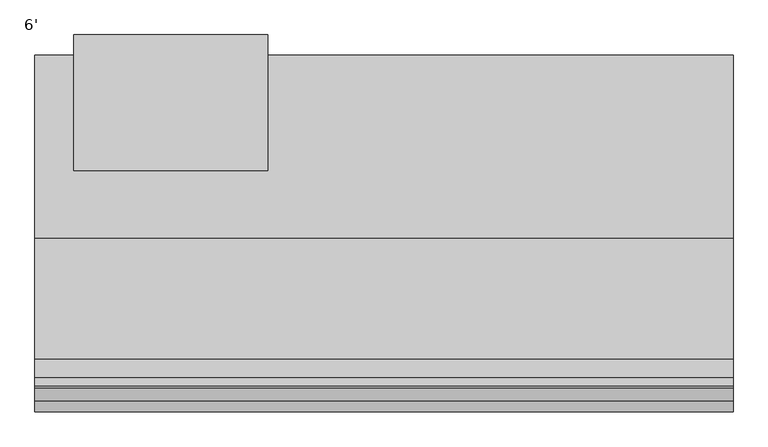
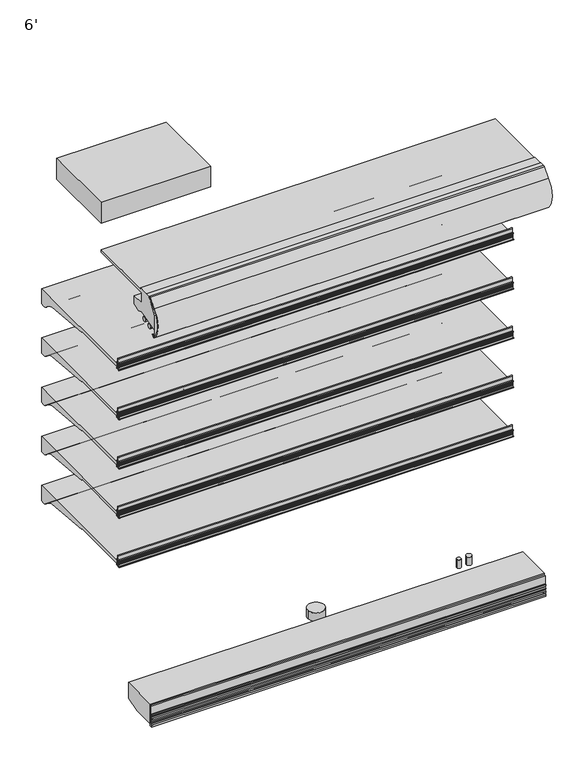
"""IFC4 building model written with IfcOpenShell, lengths in millimetres: proxy geometry, 6'."""

from ifc_helpers import new_model, si_unit, point, frame, frame_2d, origin, place, context, project, spatial, polyline, circle_curve, trimmed, segment, composite_curve, outline, extrude, source, transform, mapped, element, save
from ifc_brep_helpers import plane_surface, cylinder_surface, advanced_brep


def proxy_6_ebcec161(model_context):
    return source(origin(), model_context, "Body", "SolidModel", [
        extrude(outline(composite_curve([segment(polyline([(-1166.6809512, 673.3590118), (-1166.6809512, 627.2869913), (-1172.3025077, 627.2869913), (-1172.3025077, 673.3590118)]), True, "CONTINUOUS"), segment(trimmed(circle_curve(frame_2d((-1169.4917294, 673.3590118)), 2.8107783), [point((-1172.3025077, 673.3590118))], [point((-1166.6809512, 673.3590118))], False, "CARTESIAN"), True, "CONTINUOUS")], self_intersect=False)), frame((0.0, 0.0, 0.0), z_axis=(1.0, 0.0, 0.0), x_axis=(0.0, 1.0, 0.0)), (0.0, 0.0, 1.0), 1828.8),
        extrude(outline(composite_curve([segment(trimmed(circle_curve(frame_2d((-1163.4504929, 651.4868368)), 1.9280539), [point((-1161.7517309, 652.3987576))], [point((-1165.331757, 651.9090184))], True, "CARTESIAN"), True, "CONTINUOUS"), segment(polyline([(-1165.331757, 651.9090184), (-1165.250252, 627.491416)]), True, "CONTINUOUS"), segment(trimmed(circle_curve(frame_2d((-1163.3310491, 627.4978222)), 1.9192136), [point((-1165.250252, 627.491416))], [point((-1161.7034586, 626.4808021))], True, "CARTESIAN"), True, "CONTINUOUS"), segment(polyline([(-1161.7034586, 626.4808021), (-1160.7655732, 628.4261116), (-1159.7610244, 628.067256), (-1160.5780157, 625.7802423)]), True, "CONTINUOUS"), segment(trimmed(circle_curve(frame_2d((-1163.9150962, 626.6263023)), 3.4426623), [point((-1160.5780157, 625.7802423))], [point((-1163.425503, 623.2186312))], False, "CARTESIAN"), True, "CONTINUOUS"), segment(polyline([(-1163.425503, 623.2186312), (-1175.1969589, 621.2859884)]), True, "CONTINUOUS"), segment(trimmed(circle_curve(frame_2d((-1176.0623556, 624.8178953)), 3.6363825), [point((-1175.1969589, 621.2859884))], [point((-1176.8707168, 621.2724997))], False, "CARTESIAN"), True, "CONTINUOUS"), segment(trimmed(circle_curve(frame_2d((-1175.662177, 627.6109197)), 6.4526069), [point((-1176.8707168, 621.2724997))], [point((-1181.8828486, 625.8964572))], False, "CARTESIAN"), True, "CONTINUOUS"), segment(trimmed(circle_curve(frame_2d((-1181.3604941, 626.058445)), 0.5468951), [point((-1181.8828486, 625.8964572))], [point((-1180.9789417, 626.450251))], False, "CARTESIAN"), True, "CONTINUOUS"), segment(polyline([(-1180.9789417, 626.450251), (-1180.476531, 624.9916703)]), True, "CONTINUOUS"), segment(trimmed(circle_curve(frame_2d((-1179.8915211, 625.193178)), 0.6187422), [point((-1180.476531, 624.9916703))], [point((-1179.2817387, 625.0882627))], True, "CARTESIAN"), True, "CONTINUOUS"), segment(trimmed(circle_curve(frame_2d((-1200.8573005, 639.2081773)), 25.7852062), [point((-1179.2817387, 625.0882627))], [point((-1175.8138409, 633.0679827))], True, "CARTESIAN"), True, "CONTINUOUS"), segment(trimmed(circle_curve(frame_2d((-1176.043253, 634.0002362)), 0.9600659), [point((-1175.8138409, 633.0679827))], [point((-1175.3385731, 634.6522736))], True, "CARTESIAN"), True, "CONTINUOUS"), segment(polyline([(-1175.3385731, 634.6522736), (-1174.9159447, 637.4202118)]), True, "CONTINUOUS"), segment(trimmed(circle_curve(frame_2d((-1175.2488063, 638.3116775)), 0.9515818), [point((-1174.9159447, 637.4202118))], [point((-1174.7299165, 639.1093373))], True, "CARTESIAN"), True, "CONTINUOUS"), segment(polyline([(-1174.7299165, 639.1093373), (-1174.6443367, 643.2740469), (-1173.8383813, 646.5265397), (-1174.6268164, 646.72591), (-1174.6268164, 651.4923226), (-1175.4872628, 651.4923226)]), True, "CONTINUOUS"), segment(trimmed(circle_curve(frame_2d((-1183.4029864, 648.5576543)), 8.4422129), [point((-1175.4872628, 651.4923226))], [point((-1177.4034441, 654.4970525))], True, "CARTESIAN"), True, "CONTINUOUS"), segment(trimmed(circle_curve(frame_2d((-1177.9034836, 654.120097)), 0.6262068), [point((-1177.4034441, 654.4970525))], [point((-1178.3956204, 654.507313))], True, "CARTESIAN"), True, "CONTINUOUS"), segment(polyline([(-1178.3956204, 654.507313), (-1178.9699684, 652.9277082)]), True, "CONTINUOUS"), segment(trimmed(circle_curve(frame_2d((-1179.4707304, 653.0647503)), 0.5191754), [point((-1178.9699684, 652.9277082))], [point((-1179.9893103, 653.0896108))], False, "CARTESIAN"), True, "CONTINUOUS"), segment(polyline([(-1179.9893103, 653.0896108), (-1179.6344995, 654.0659516), (-1179.0270967, 655.1476351)]), True, "CONTINUOUS"), segment(trimmed(circle_curve(frame_2d((-1177.9637464, 654.6690909)), 1.1660697), [point((-1179.0270967, 655.1476351))], [point((-1178.012063, 655.8341591))], False, "CARTESIAN"), True, "CONTINUOUS"), segment(polyline([(-1178.012063, 655.8341591), (-1172.4315975, 655.8341591), (-1172.7816684, 639.8794823)]), True, "CONTINUOUS"), segment(trimmed(circle_curve(frame_2d((-1204.7325475, 641.2071084)), 31.9784501), [point((-1172.7816684, 639.8794823))], [point((-1175.8839973, 627.4091948))], False, "CARTESIAN"), True, "CONTINUOUS"), segment(trimmed(circle_curve(frame_2d((-1173.5772773, 626.4881969)), 2.4837863), [point((-1175.8839973, 627.4091948))], [point((-1173.3647043, 624.0135238))], True, "CARTESIAN"), True, "CONTINUOUS"), segment(polyline([(-1173.3647043, 624.0135238), (-1168.8550638, 624.7374041)]), True, "CONTINUOUS"), segment(trimmed(circle_curve(frame_2d((-1169.2651209, 627.3013858)), 2.5965648), [point((-1168.8550638, 624.7374041))], [point((-1166.6809512, 627.0479772))], True, "CARTESIAN"), True, "CONTINUOUS"), segment(polyline([(-1166.6809512, 627.0479772), (-1166.6809512, 655.8555063), (-1163.974361, 655.8555063)]), True, "CONTINUOUS"), segment(trimmed(circle_curve(frame_2d((-1164.2104521, 652.5229101)), 3.3409484), [point((-1163.974361, 655.8555063))], [point((-1161.2402611, 654.0525838))], False, "CARTESIAN"), True, "CONTINUOUS"), segment(polyline([(-1161.2402611, 654.0525838), (-1160.0124559, 650.9106294), (-1161.016829, 650.5181429), (-1161.7517309, 652.3987576)]), True, "CONTINUOUS")], self_intersect=False)), frame((0.0, 0.0, 0.0), z_axis=(1.0, 0.0, 0.0), x_axis=(0.0, 1.0, 0.0)), (0.0, 0.0, 1.0), 1828.8),
        extrude(outline(composite_curve([segment(polyline([(-1166.6809512, 914.6590118), (-1166.6809512, 868.5869913), (-1172.3025077, 868.5869913), (-1172.3025077, 914.6590118)]), True, "CONTINUOUS"), segment(trimmed(circle_curve(frame_2d((-1169.4917294, 914.6590118)), 2.8107783), [point((-1172.3025077, 914.6590118))], [point((-1166.6809512, 914.6590118))], False, "CARTESIAN"), True, "CONTINUOUS")], self_intersect=False)), frame((0.0, 0.0, 0.0), z_axis=(1.0, 0.0, 0.0), x_axis=(0.0, 1.0, 0.0)), (0.0, 0.0, 1.0), 1828.8),
        extrude(outline(composite_curve([segment(trimmed(circle_curve(frame_2d((-1163.4504929, 892.7868368)), 1.9280539), [point((-1161.7517309, 893.6987576))], [point((-1165.331757, 893.2090184))], True, "CARTESIAN"), True, "CONTINUOUS"), segment(polyline([(-1165.331757, 893.2090184), (-1165.250252, 868.791416)]), True, "CONTINUOUS"), segment(trimmed(circle_curve(frame_2d((-1163.3310491, 868.7978222)), 1.9192136), [point((-1165.250252, 868.791416))], [point((-1161.7034586, 867.7808021))], True, "CARTESIAN"), True, "CONTINUOUS"), segment(polyline([(-1161.7034586, 867.7808021), (-1160.7655732, 869.7261116), (-1159.7610244, 869.367256), (-1160.5780157, 867.0802423)]), True, "CONTINUOUS"), segment(trimmed(circle_curve(frame_2d((-1163.9150962, 867.9263023)), 3.4426623), [point((-1160.5780157, 867.0802423))], [point((-1163.425503, 864.5186312))], False, "CARTESIAN"), True, "CONTINUOUS"), segment(polyline([(-1163.425503, 864.5186312), (-1175.1969589, 862.5859884)]), True, "CONTINUOUS"), segment(trimmed(circle_curve(frame_2d((-1176.0623556, 866.1178953)), 3.6363825), [point((-1175.1969589, 862.5859884))], [point((-1176.8707168, 862.5724997))], False, "CARTESIAN"), True, "CONTINUOUS"), segment(trimmed(circle_curve(frame_2d((-1175.662177, 868.9109197)), 6.4526069), [point((-1176.8707168, 862.5724997))], [point((-1181.8828486, 867.1964572))], False, "CARTESIAN"), True, "CONTINUOUS"), segment(trimmed(circle_curve(frame_2d((-1181.3604941, 867.358445)), 0.5468951), [point((-1181.8828486, 867.1964572))], [point((-1180.9789417, 867.750251))], False, "CARTESIAN"), True, "CONTINUOUS"), segment(polyline([(-1180.9789417, 867.750251), (-1180.476531, 866.2916703)]), True, "CONTINUOUS"), segment(trimmed(circle_curve(frame_2d((-1179.8915211, 866.493178)), 0.6187422), [point((-1180.476531, 866.2916703))], [point((-1179.2817387, 866.3882627))], True, "CARTESIAN"), True, "CONTINUOUS"), segment(trimmed(circle_curve(frame_2d((-1200.8573005, 880.5081773)), 25.7852062), [point((-1179.2817387, 866.3882627))], [point((-1175.8138409, 874.3679827))], True, "CARTESIAN"), True, "CONTINUOUS"), segment(trimmed(circle_curve(frame_2d((-1176.043253, 875.3002362)), 0.9600659), [point((-1175.8138409, 874.3679827))], [point((-1175.3385731, 875.9522736))], True, "CARTESIAN"), True, "CONTINUOUS"), segment(polyline([(-1175.3385731, 875.9522736), (-1174.9159447, 878.7202118)]), True, "CONTINUOUS"), segment(trimmed(circle_curve(frame_2d((-1175.2488063, 879.6116775)), 0.9515818), [point((-1174.9159447, 878.7202118))], [point((-1174.7299165, 880.4093373))], True, "CARTESIAN"), True, "CONTINUOUS"), segment(polyline([(-1174.7299165, 880.4093373), (-1174.6443367, 884.5740469), (-1173.8383813, 887.8265397), (-1174.6268164, 888.02591), (-1174.6268164, 892.7923226), (-1175.4872628, 892.7923226)]), True, "CONTINUOUS"), segment(trimmed(circle_curve(frame_2d((-1183.4029864, 889.8576543)), 8.4422129), [point((-1175.4872628, 892.7923226))], [point((-1177.4034441, 895.7970525))], True, "CARTESIAN"), True, "CONTINUOUS"), segment(trimmed(circle_curve(frame_2d((-1177.9034836, 895.420097)), 0.6262068), [point((-1177.4034441, 895.7970525))], [point((-1178.3956204, 895.807313))], True, "CARTESIAN"), True, "CONTINUOUS"), segment(polyline([(-1178.3956204, 895.807313), (-1178.9699684, 894.2277082)]), True, "CONTINUOUS"), segment(trimmed(circle_curve(frame_2d((-1179.4707304, 894.3647503)), 0.5191754), [point((-1178.9699684, 894.2277082))], [point((-1179.9893103, 894.3896108))], False, "CARTESIAN"), True, "CONTINUOUS"), segment(polyline([(-1179.9893103, 894.3896108), (-1179.6344995, 895.3659516), (-1179.0270967, 896.4476351)]), True, "CONTINUOUS"), segment(trimmed(circle_curve(frame_2d((-1177.9637464, 895.9690909)), 1.1660697), [point((-1179.0270967, 896.4476351))], [point((-1178.012063, 897.1341591))], False, "CARTESIAN"), True, "CONTINUOUS"), segment(polyline([(-1178.012063, 897.1341591), (-1172.4315975, 897.1341591), (-1172.7816684, 881.1794823)]), True, "CONTINUOUS"), segment(trimmed(circle_curve(frame_2d((-1204.7325475, 882.5071084)), 31.9784501), [point((-1172.7816684, 881.1794823))], [point((-1175.8839973, 868.7091948))], False, "CARTESIAN"), True, "CONTINUOUS"), segment(trimmed(circle_curve(frame_2d((-1173.5772773, 867.7881969)), 2.4837863), [point((-1175.8839973, 868.7091948))], [point((-1173.3647043, 865.3135238))], True, "CARTESIAN"), True, "CONTINUOUS"), segment(polyline([(-1173.3647043, 865.3135238), (-1168.8550638, 866.0374041)]), True, "CONTINUOUS"), segment(trimmed(circle_curve(frame_2d((-1169.2651209, 868.6013858)), 2.5965648), [point((-1168.8550638, 866.0374041))], [point((-1166.6809512, 868.3479772))], True, "CARTESIAN"), True, "CONTINUOUS"), segment(polyline([(-1166.6809512, 868.3479772), (-1166.6809512, 897.1555063), (-1163.974361, 897.1555063)]), True, "CONTINUOUS"), segment(trimmed(circle_curve(frame_2d((-1164.2104521, 893.8229101)), 3.3409484), [point((-1163.974361, 897.1555063))], [point((-1161.2402611, 895.3525838))], False, "CARTESIAN"), True, "CONTINUOUS"), segment(polyline([(-1161.2402611, 895.3525838), (-1160.0124559, 892.2106294), (-1161.016829, 891.8181429), (-1161.7517309, 893.6987576)]), True, "CONTINUOUS")], self_intersect=False)), frame((0.0, 0.0, 0.0), z_axis=(1.0, 0.0, 0.0), x_axis=(0.0, 1.0, 0.0)), (0.0, 0.0, 1.0), 1828.8),
        extrude(outline(composite_curve([segment(polyline([(-1166.6809512, 1155.9590118), (-1166.6809512, 1109.8869913), (-1172.3025077, 1109.8869913), (-1172.3025077, 1155.9590118)]), True, "CONTINUOUS"), segment(trimmed(circle_curve(frame_2d((-1169.4917294, 1155.9590118)), 2.8107783), [point((-1172.3025077, 1155.9590118))], [point((-1166.6809512, 1155.9590118))], False, "CARTESIAN"), True, "CONTINUOUS")], self_intersect=False)), frame((0.0, 0.0, 0.0), z_axis=(1.0, 0.0, 0.0), x_axis=(0.0, 1.0, 0.0)), (0.0, 0.0, 1.0), 1828.8),
        extrude(outline(composite_curve([segment(trimmed(circle_curve(frame_2d((-1163.4504929, 1134.0868368)), 1.9280539), [point((-1161.7517309, 1134.9987576))], [point((-1165.331757, 1134.5090184))], True, "CARTESIAN"), True, "CONTINUOUS"), segment(polyline([(-1165.331757, 1134.5090184), (-1165.250252, 1110.091416)]), True, "CONTINUOUS"), segment(trimmed(circle_curve(frame_2d((-1163.3310491, 1110.0978222)), 1.9192136), [point((-1165.250252, 1110.091416))], [point((-1161.7034586, 1109.0808021))], True, "CARTESIAN"), True, "CONTINUOUS"), segment(polyline([(-1161.7034586, 1109.0808021), (-1160.7655732, 1111.0261116), (-1159.7610244, 1110.667256), (-1160.5780157, 1108.3802423)]), True, "CONTINUOUS"), segment(trimmed(circle_curve(frame_2d((-1163.9150962, 1109.2263023)), 3.4426623), [point((-1160.5780157, 1108.3802423))], [point((-1163.425503, 1105.8186312))], False, "CARTESIAN"), True, "CONTINUOUS"), segment(polyline([(-1163.425503, 1105.8186312), (-1175.1969589, 1103.8859884)]), True, "CONTINUOUS"), segment(trimmed(circle_curve(frame_2d((-1176.0623556, 1107.4178953)), 3.6363825), [point((-1175.1969589, 1103.8859884))], [point((-1176.8707168, 1103.8724997))], False, "CARTESIAN"), True, "CONTINUOUS"), segment(trimmed(circle_curve(frame_2d((-1175.662177, 1110.2109197)), 6.4526069), [point((-1176.8707168, 1103.8724997))], [point((-1181.8828486, 1108.4964572))], False, "CARTESIAN"), True, "CONTINUOUS"), segment(trimmed(circle_curve(frame_2d((-1181.3604941, 1108.658445)), 0.5468951), [point((-1181.8828486, 1108.4964572))], [point((-1180.9789417, 1109.050251))], False, "CARTESIAN"), True, "CONTINUOUS"), segment(polyline([(-1180.9789417, 1109.050251), (-1180.476531, 1107.5916703)]), True, "CONTINUOUS"), segment(trimmed(circle_curve(frame_2d((-1179.8915211, 1107.793178)), 0.6187422), [point((-1180.476531, 1107.5916703))], [point((-1179.2817387, 1107.6882627))], True, "CARTESIAN"), True, "CONTINUOUS"), segment(trimmed(circle_curve(frame_2d((-1200.8573005, 1121.8081773)), 25.7852062), [point((-1179.2817387, 1107.6882627))], [point((-1175.8138409, 1115.6679827))], True, "CARTESIAN"), True, "CONTINUOUS"), segment(trimmed(circle_curve(frame_2d((-1176.043253, 1116.6002362)), 0.9600659), [point((-1175.8138409, 1115.6679827))], [point((-1175.3385731, 1117.2522736))], True, "CARTESIAN"), True, "CONTINUOUS"), segment(polyline([(-1175.3385731, 1117.2522736), (-1174.9159447, 1120.0202118)]), True, "CONTINUOUS"), segment(trimmed(circle_curve(frame_2d((-1175.2488063, 1120.9116775)), 0.9515818), [point((-1174.9159447, 1120.0202118))], [point((-1174.7299165, 1121.7093373))], True, "CARTESIAN"), True, "CONTINUOUS"), segment(polyline([(-1174.7299165, 1121.7093373), (-1174.6443367, 1125.8740469), (-1173.8383813, 1129.1265397), (-1174.6268164, 1129.32591), (-1174.6268164, 1134.0923226), (-1175.4872628, 1134.0923226)]), True, "CONTINUOUS"), segment(trimmed(circle_curve(frame_2d((-1183.4029864, 1131.1576543)), 8.4422129), [point((-1175.4872628, 1134.0923226))], [point((-1177.4034441, 1137.0970525))], True, "CARTESIAN"), True, "CONTINUOUS"), segment(trimmed(circle_curve(frame_2d((-1177.9034836, 1136.720097)), 0.6262068), [point((-1177.4034441, 1137.0970525))], [point((-1178.3956204, 1137.107313))], True, "CARTESIAN"), True, "CONTINUOUS"), segment(polyline([(-1178.3956204, 1137.107313), (-1178.9699684, 1135.5277082)]), True, "CONTINUOUS"), segment(trimmed(circle_curve(frame_2d((-1179.4707304, 1135.6647503)), 0.5191754), [point((-1178.9699684, 1135.5277082))], [point((-1179.9893103, 1135.6896108))], False, "CARTESIAN"), True, "CONTINUOUS"), segment(polyline([(-1179.9893103, 1135.6896108), (-1179.6344995, 1136.6659516), (-1179.0270967, 1137.7476351)]), True, "CONTINUOUS"), segment(trimmed(circle_curve(frame_2d((-1177.9637464, 1137.2690909)), 1.1660697), [point((-1179.0270967, 1137.7476351))], [point((-1178.012063, 1138.4341591))], False, "CARTESIAN"), True, "CONTINUOUS"), segment(polyline([(-1178.012063, 1138.4341591), (-1172.4315975, 1138.4341591), (-1172.7816684, 1122.4794823)]), True, "CONTINUOUS"), segment(trimmed(circle_curve(frame_2d((-1204.7325475, 1123.8071084)), 31.9784501), [point((-1172.7816684, 1122.4794823))], [point((-1175.8839973, 1110.0091948))], False, "CARTESIAN"), True, "CONTINUOUS"), segment(trimmed(circle_curve(frame_2d((-1173.5772773, 1109.0881969)), 2.4837863), [point((-1175.8839973, 1110.0091948))], [point((-1173.3647043, 1106.6135238))], True, "CARTESIAN"), True, "CONTINUOUS"), segment(polyline([(-1173.3647043, 1106.6135238), (-1168.8550638, 1107.3374041)]), True, "CONTINUOUS"), segment(trimmed(circle_curve(frame_2d((-1169.2651209, 1109.9013858)), 2.5965648), [point((-1168.8550638, 1107.3374041))], [point((-1166.6809512, 1109.6479772))], True, "CARTESIAN"), True, "CONTINUOUS"), segment(polyline([(-1166.6809512, 1109.6479772), (-1166.6809512, 1138.4555063), (-1163.974361, 1138.4555063)]), True, "CONTINUOUS"), segment(trimmed(circle_curve(frame_2d((-1164.2104521, 1135.1229101)), 3.3409484), [point((-1163.974361, 1138.4555063))], [point((-1161.2402611, 1136.6525838))], False, "CARTESIAN"), True, "CONTINUOUS"), segment(polyline([(-1161.2402611, 1136.6525838), (-1160.0124559, 1133.5106294), (-1161.016829, 1133.1181429), (-1161.7517309, 1134.9987576)]), True, "CONTINUOUS")], self_intersect=False)), frame((0.0, 0.0, 0.0), z_axis=(1.0, 0.0, 0.0), x_axis=(0.0, 1.0, 0.0)), (0.0, 0.0, 1.0), 1828.8),
        extrude(outline(composite_curve([segment(polyline([(-1166.6809512, 1397.2590118), (-1166.6809512, 1351.1869913), (-1172.3025077, 1351.1869913), (-1172.3025077, 1397.2590118)]), True, "CONTINUOUS"), segment(trimmed(circle_curve(frame_2d((-1169.4917294, 1397.2590118)), 2.8107783), [point((-1172.3025077, 1397.2590118))], [point((-1166.6809512, 1397.2590118))], False, "CARTESIAN"), True, "CONTINUOUS")], self_intersect=False)), frame((0.0, 0.0, 0.0), z_axis=(1.0, 0.0, 0.0), x_axis=(0.0, 1.0, 0.0)), (0.0, 0.0, 1.0), 1828.8),
        extrude(outline(composite_curve([segment(trimmed(circle_curve(frame_2d((-1163.4504929, 1375.3868368)), 1.9280539), [point((-1161.7517309, 1376.2987576))], [point((-1165.331757, 1375.8090184))], True, "CARTESIAN"), True, "CONTINUOUS"), segment(polyline([(-1165.331757, 1375.8090184), (-1165.250252, 1351.391416)]), True, "CONTINUOUS"), segment(trimmed(circle_curve(frame_2d((-1163.3310491, 1351.3978222)), 1.9192136), [point((-1165.250252, 1351.391416))], [point((-1161.7034586, 1350.3808021))], True, "CARTESIAN"), True, "CONTINUOUS"), segment(polyline([(-1161.7034586, 1350.3808021), (-1160.7655732, 1352.3261116), (-1159.7610244, 1351.967256), (-1160.5780157, 1349.6802423)]), True, "CONTINUOUS"), segment(trimmed(circle_curve(frame_2d((-1163.9150962, 1350.5263023)), 3.4426623), [point((-1160.5780157, 1349.6802423))], [point((-1163.425503, 1347.1186312))], False, "CARTESIAN"), True, "CONTINUOUS"), segment(polyline([(-1163.425503, 1347.1186312), (-1175.1969589, 1345.1859884)]), True, "CONTINUOUS"), segment(trimmed(circle_curve(frame_2d((-1176.0623556, 1348.7178953)), 3.6363825), [point((-1175.1969589, 1345.1859884))], [point((-1176.8707168, 1345.1724997))], False, "CARTESIAN"), True, "CONTINUOUS"), segment(trimmed(circle_curve(frame_2d((-1175.662177, 1351.5109197)), 6.4526069), [point((-1176.8707168, 1345.1724997))], [point((-1181.8828486, 1349.7964572))], False, "CARTESIAN"), True, "CONTINUOUS"), segment(trimmed(circle_curve(frame_2d((-1181.3604941, 1349.958445)), 0.5468951), [point((-1181.8828486, 1349.7964572))], [point((-1180.9789417, 1350.350251))], False, "CARTESIAN"), True, "CONTINUOUS"), segment(polyline([(-1180.9789417, 1350.350251), (-1180.476531, 1348.8916703)]), True, "CONTINUOUS"), segment(trimmed(circle_curve(frame_2d((-1179.8915211, 1349.093178)), 0.6187422), [point((-1180.476531, 1348.8916703))], [point((-1179.2817387, 1348.9882627))], True, "CARTESIAN"), True, "CONTINUOUS"), segment(trimmed(circle_curve(frame_2d((-1200.8573005, 1363.1081773)), 25.7852062), [point((-1179.2817387, 1348.9882627))], [point((-1175.8138409, 1356.9679827))], True, "CARTESIAN"), True, "CONTINUOUS"), segment(trimmed(circle_curve(frame_2d((-1176.043253, 1357.9002362)), 0.9600659), [point((-1175.8138409, 1356.9679827))], [point((-1175.3385731, 1358.5522736))], True, "CARTESIAN"), True, "CONTINUOUS"), segment(polyline([(-1175.3385731, 1358.5522736), (-1174.9159447, 1361.3202118)]), True, "CONTINUOUS"), segment(trimmed(circle_curve(frame_2d((-1175.2488063, 1362.2116775)), 0.9515818), [point((-1174.9159447, 1361.3202118))], [point((-1174.7299165, 1363.0093373))], True, "CARTESIAN"), True, "CONTINUOUS"), segment(polyline([(-1174.7299165, 1363.0093373), (-1174.6443367, 1367.1740469), (-1173.8383813, 1370.4265397), (-1174.6268164, 1370.62591), (-1174.6268164, 1375.3923226), (-1175.4872628, 1375.3923226)]), True, "CONTINUOUS"), segment(trimmed(circle_curve(frame_2d((-1183.4029864, 1372.4576543)), 8.4422129), [point((-1175.4872628, 1375.3923226))], [point((-1177.4034441, 1378.3970525))], True, "CARTESIAN"), True, "CONTINUOUS"), segment(trimmed(circle_curve(frame_2d((-1177.9034836, 1378.020097)), 0.6262068), [point((-1177.4034441, 1378.3970525))], [point((-1178.3956204, 1378.407313))], True, "CARTESIAN"), True, "CONTINUOUS"), segment(polyline([(-1178.3956204, 1378.407313), (-1178.9699684, 1376.8277082)]), True, "CONTINUOUS"), segment(trimmed(circle_curve(frame_2d((-1179.4707304, 1376.9647503)), 0.5191754), [point((-1178.9699684, 1376.8277082))], [point((-1179.9893103, 1376.9896108))], False, "CARTESIAN"), True, "CONTINUOUS"), segment(polyline([(-1179.9893103, 1376.9896108), (-1179.6344995, 1377.9659516), (-1179.0270967, 1379.0476351)]), True, "CONTINUOUS"), segment(trimmed(circle_curve(frame_2d((-1177.9637464, 1378.5690909)), 1.1660697), [point((-1179.0270967, 1379.0476351))], [point((-1178.012063, 1379.7341591))], False, "CARTESIAN"), True, "CONTINUOUS"), segment(polyline([(-1178.012063, 1379.7341591), (-1172.4315975, 1379.7341591), (-1172.7816684, 1363.7794823)]), True, "CONTINUOUS"), segment(trimmed(circle_curve(frame_2d((-1204.7325475, 1365.1071084)), 31.9784501), [point((-1172.7816684, 1363.7794823))], [point((-1175.8839973, 1351.3091948))], False, "CARTESIAN"), True, "CONTINUOUS"), segment(trimmed(circle_curve(frame_2d((-1173.5772773, 1350.3881969)), 2.4837863), [point((-1175.8839973, 1351.3091948))], [point((-1173.3647043, 1347.9135238))], True, "CARTESIAN"), True, "CONTINUOUS"), segment(polyline([(-1173.3647043, 1347.9135238), (-1168.8550638, 1348.6374041)]), True, "CONTINUOUS"), segment(trimmed(circle_curve(frame_2d((-1169.2651209, 1351.2013858)), 2.5965648), [point((-1168.8550638, 1348.6374041))], [point((-1166.6809512, 1350.9479772))], True, "CARTESIAN"), True, "CONTINUOUS"), segment(polyline([(-1166.6809512, 1350.9479772), (-1166.6809512, 1379.7555063), (-1163.974361, 1379.7555063)]), True, "CONTINUOUS"), segment(trimmed(circle_curve(frame_2d((-1164.2104521, 1376.4229101)), 3.3409484), [point((-1163.974361, 1379.7555063))], [point((-1161.2402611, 1377.9525838))], False, "CARTESIAN"), True, "CONTINUOUS"), segment(polyline([(-1161.2402611, 1377.9525838), (-1160.0124559, 1374.8106294), (-1161.016829, 1374.4181429), (-1161.7517309, 1376.2987576)]), True, "CONTINUOUS")], self_intersect=False)), frame((0.0, 0.0, 0.0), z_axis=(1.0, 0.0, 0.0), x_axis=(0.0, 1.0, 0.0)), (0.0, 0.0, 1.0), 1828.8),
        extrude(outline(composite_curve([segment(polyline([(-1401.9895748, 2098.675), (-1422.2402351, 2098.675)]), True, "CONTINUOUS"), segment(trimmed(circle_curve(frame_2d((-1422.2402351, 2094.2009254)), 4.4740745), [point((-1422.2402351, 2098.675))], [point((-1425.458615, 2097.3088788))], True, "CARTESIAN"), True, "CONTINUOUS"), segment(polyline([(-1425.458615, 2097.3088788), (-1460.7854536, 2060.7268666)]), True, "CONTINUOUS"), segment(trimmed(circle_curve(frame_2d((-1388.5044641, 1990.9259263)), 100.4824), [point((-1460.7854536, 2060.7268666))], [point((-1469.2767016, 2050.6968084))], True, "CARTESIAN"), True, "CONTINUOUS"), segment(trimmed(circle_curve(frame_2d((-1388.5044641, 1990.9259263)), 100.4824), [point((-1469.2767016, 2050.6968084))], [point((-1461.9926392, 1922.3970943))], True, "CARTESIAN"), True, "CONTINUOUS"), segment(trimmed(circle_curve(frame_2d((-1458.1659041, 1925.9655825)), 5.2324), [point((-1461.9926392, 1922.3970943))], [point((-1454.4660386, 1922.265717))], True, "CARTESIAN"), True, "CONTINUOUS"), segment(polyline([(-1454.4660386, 1922.265717), (-1447.8924911, 1928.8392645), (-1446.4556502, 1927.4024235), (-1453.0291976, 1920.828876)]), True, "CONTINUOUS"), segment(trimmed(circle_curve(frame_2d((-1458.1659041, 1925.9655825)), 7.2644), [point((-1453.0291976, 1920.828876))], [point((-1463.47875, 1921.0112736))], False, "CARTESIAN"), True, "CONTINUOUS"), segment(trimmed(circle_curve(frame_2d((-1388.5044641, 1990.9259263)), 102.5144), [point((-1463.47875, 1921.0112736))], [point((-1462.2471521, 2062.1384124))], False, "CARTESIAN"), True, "CONTINUOUS"), segment(polyline([(-1462.2471521, 2062.1384124), (-1427.6113468, 2098.0048387)]), True, "CONTINUOUS"), segment(trimmed(circle_curve(frame_2d((-1422.3857748, 2092.9585624)), 7.2644), [point((-1427.6113468, 2098.0048387))], [point((-1422.3857748, 2100.2229624))], False, "CARTESIAN"), True, "CONTINUOUS"), segment(polyline([(-1422.3857748, 2100.2229624), (-1401.9895748, 2100.2229624), (-1401.9895748, 2098.675)]), True, "CONTINUOUS")], self_intersect=False)), frame((0.0, 0.0, 0.0), z_axis=(1.0, 0.0, 0.0), x_axis=(0.0, 1.0, 0.0)), (0.0, 0.0, 1.0), 1828.8),
        extrude(outline(composite_curve([segment(trimmed(circle_curve(frame_2d((-1382.6450033, 1963.4468051)), 11.1125), [point((-1393.7574982, 1963.4361068))], [point((-1371.5325085, 1963.4575034))], False, "CARTESIAN"), True, "CONTINUOUS"), segment(trimmed(circle_curve(frame_2d((-1382.6450033, 1963.4468051)), 11.1125), [point((-1371.5325085, 1963.4575034))], [point((-1393.7574982, 1963.4361068))], False, "CARTESIAN"), True, "CONTINUOUS")], self_intersect=False)), frame((0.0, 0.0, 0.0), z_axis=(1.0, 0.0, 0.0), x_axis=(0.0, 1.0, 0.0)), (0.0, 0.0, 1.0), 1828.8),
        extrude(outline(composite_curve([segment(trimmed(circle_curve(frame_2d((-1422.7955513, 1952.5918872)), 11.1125), [point((-1433.9080461, 1952.5811889))], [point((-1411.6830564, 1952.6025854))], False, "CARTESIAN"), True, "CONTINUOUS"), segment(trimmed(circle_curve(frame_2d((-1422.7955513, 1952.5918872)), 11.1125), [point((-1411.6830564, 1952.6025854))], [point((-1433.9080461, 1952.5811889))], False, "CARTESIAN"), True, "CONTINUOUS")], self_intersect=False)), frame((0.0, 0.0, 0.0), z_axis=(1.0, 0.0, 0.0), x_axis=(0.0, 1.0, 0.0)), (0.0, 0.0, 1.0), 1828.8),
        extrude(outline(composite_curve([segment(polyline([(-1421.4795117, 2098.675), (-1353.1925343, 2098.675), (-1353.1925343, 2094.407711), (-1036.8679254, 2094.407711), (-1036.8679254, 2079.9361513), (-1361.2177409, 2079.9361513), (-1361.2177409, 2029.1361513), (-1300.8277259, 2029.1361513), (-1300.8277259, 1989.1126887), (-1337.1349866, 1975.8979266), (-1362.075082, 1987.5276841), (-1465.8717206, 1959.7154586), (-1465.8717206, 1929.2913231)]), True, "CONTINUOUS"), segment(trimmed(circle_curve(frame_2d((-1464.2842206, 1929.2913231)), 1.5875), [point((-1465.8717206, 1929.2913231))], [point((-1464.8010601, 1927.7903123))], True, "CARTESIAN"), True, "CONTINUOUS"), segment(polyline([(-1464.8010601, 1927.7903123), (-1454.6095723, 1924.2811017)]), True, "CONTINUOUS"), segment(trimmed(circle_curve(frame_2d((-1454.0927328, 1925.7821124)), 1.5875), [point((-1454.6095723, 1924.2811017))], [point((-1452.9702008, 1924.6595804))], True, "CARTESIAN"), True, "CONTINUOUS"), segment(polyline([(-1452.9702008, 1924.6595804), (-1449.6242529, 1928.0055284)]), True, "CONTINUOUS"), segment(trimmed(circle_curve(frame_2d((-1449.3997464, 1927.781022)), 0.3175), [point((-1449.6242529, 1928.0055284))], [point((-1449.17524, 1927.5565156))], False, "CARTESIAN"), True, "CONTINUOUS"), segment(polyline([(-1449.17524, 1927.5565156), (-1452.521188, 1924.2105676)]), True, "CONTINUOUS"), segment(trimmed(circle_curve(frame_2d((-1454.0927328, 1925.7821124)), 2.2225), [point((-1452.521188, 1924.2105676))], [point((-1454.8163081, 1923.6806974))], False, "CARTESIAN"), True, "CONTINUOUS"), segment(polyline([(-1454.8163081, 1923.6806974), (-1465.0077959, 1927.189908)]), True, "CONTINUOUS"), segment(trimmed(circle_curve(frame_2d((-1464.2842206, 1929.2913231)), 2.2225), [point((-1465.0077959, 1927.189908))], [point((-1466.5067206, 1929.2913231))], False, "CARTESIAN"), True, "CONTINUOUS"), segment(polyline([(-1466.5067206, 1929.2913231), (-1466.5067206, 2031.5920746), (-1432.9095117, 2079.5738616), (-1432.9095117, 2083.5097624), (-1421.4795117, 2094.6095624), (-1421.4795117, 2098.675)]), True, "CONTINUOUS")], self_intersect=False)), frame((0.0, 0.0, 0.0), z_axis=(1.0, 0.0, 0.0), x_axis=(0.0, 1.0, 0.0)), (0.0, 0.0, 1.0), 1828.8),
        extrude(outline(polyline([(609.6, -502.5186137), (609.6, -858.1186137), (101.6, -858.1186137), (101.6, -502.5186137), (609.6, -502.5186137)])), frame((0.0, 0.0, 2079.9361513), z_axis=(0.0, 0.0, 1.0), x_axis=(1.0, 0.0, 0.0)), (0.0, 0.0, 1.0), 102.0572),
        extrude(outline(composite_curve([segment(polyline([(-1430.4508502, 0.0), (-1442.1812873, 0.0), (-1442.1812873, 8.4852001)]), True, "CONTINUOUS"), segment(trimmed(circle_curve(frame_2d((-1443.1437506, 15.2920025)), 6.8745105), [point((-1442.1812873, 8.4852001))], [point((-1436.5835392, 13.2371249))], True, "CARTESIAN"), True, "CONTINUOUS"), segment(polyline([(-1436.5835392, 13.2371249), (-1434.9883529, 18.9518946), (-1440.3853294, 17.8570836), (-1441.3969712, 17.8570836), (-1441.3969712, 24.300662)]), True, "CONTINUOUS"), segment(trimmed(circle_curve(frame_2d((-1443.6384576, 31.1512245)), 7.2079448), [point((-1441.3969712, 24.300662))], [point((-1436.7586105, 29.001301))], True, "CARTESIAN"), True, "CONTINUOUS"), segment(polyline([(-1436.7586105, 29.001301), (-1434.9883529, 34.6662009), (-1440.3853294, 33.5713898), (-1441.3969712, 33.5713898), (-1441.3969712, 40.0149682)]), True, "CONTINUOUS"), segment(trimmed(circle_curve(frame_2d((-1443.6751786, 46.9017652)), 7.2538404), [point((-1441.3969712, 40.0149682))], [point((-1436.7586105, 44.7156073))], True, "CARTESIAN"), True, "CONTINUOUS"), segment(polyline([(-1436.7586105, 44.7156073), (-1434.9883529, 50.3163494), (-1440.3853294, 49.2857909), (-1441.3969712, 49.2857909), (-1441.3969712, 55.7293693)]), True, "CONTINUOUS"), segment(trimmed(circle_curve(frame_2d((-1441.0936844, 61.292491)), 5.5713828), [point((-1441.3969712, 55.7293693))], [point((-1437.1434491, 57.3636302))], True, "CARTESIAN"), True, "CONTINUOUS"), segment(polyline([(-1437.1434491, 57.3636302), (-1437.1434491, 59.2060524), (-1437.1434491, 98.81235), (-1430.4508502, 98.81235), (-1430.4508502, 0.0)]), True, "CONTINUOUS")], self_intersect=False)), frame((0.0, 0.0, 0.0), z_axis=(1.0, 0.0, 0.0), x_axis=(0.0, 1.0, 0.0)), (0.0, 0.0, 1.0), 1828.8),
        extrude(outline(composite_curve([segment(polyline([(-1166.6809512, 1638.5590118), (-1166.6809512, 1592.4869913), (-1172.3025077, 1592.4869913), (-1172.3025077, 1638.5590118)]), True, "CONTINUOUS"), segment(trimmed(circle_curve(frame_2d((-1169.4917294, 1638.5590118)), 2.8107783), [point((-1172.3025077, 1638.5590118))], [point((-1166.6809512, 1638.5590118))], False, "CARTESIAN"), True, "CONTINUOUS")], self_intersect=False)), frame((0.0, 0.0, 0.0), z_axis=(1.0, 0.0, 0.0), x_axis=(0.0, 1.0, 0.0)), (0.0, 0.0, 1.0), 1828.8),
        extrude(outline(composite_curve([segment(trimmed(circle_curve(frame_2d((-1163.4504929, 1616.6868368)), 1.9280539), [point((-1161.7517309, 1617.5987576))], [point((-1165.331757, 1617.1090184))], True, "CARTESIAN"), True, "CONTINUOUS"), segment(polyline([(-1165.331757, 1617.1090184), (-1165.250252, 1592.691416)]), True, "CONTINUOUS"), segment(trimmed(circle_curve(frame_2d((-1163.3310491, 1592.6978222)), 1.9192136), [point((-1165.250252, 1592.691416))], [point((-1161.7034586, 1591.6808021))], True, "CARTESIAN"), True, "CONTINUOUS"), segment(polyline([(-1161.7034586, 1591.6808021), (-1160.7655732, 1593.6261116), (-1159.7610244, 1593.267256), (-1160.5780157, 1590.9802423)]), True, "CONTINUOUS"), segment(trimmed(circle_curve(frame_2d((-1163.9150962, 1591.8263023)), 3.4426623), [point((-1160.5780157, 1590.9802423))], [point((-1163.425503, 1588.4186312))], False, "CARTESIAN"), True, "CONTINUOUS"), segment(polyline([(-1163.425503, 1588.4186312), (-1175.1969589, 1586.4859884)]), True, "CONTINUOUS"), segment(trimmed(circle_curve(frame_2d((-1176.0623556, 1590.0178953)), 3.6363825), [point((-1175.1969589, 1586.4859884))], [point((-1176.8707168, 1586.4724997))], False, "CARTESIAN"), True, "CONTINUOUS"), segment(trimmed(circle_curve(frame_2d((-1175.662177, 1592.8109197)), 6.4526069), [point((-1176.8707168, 1586.4724997))], [point((-1181.8828486, 1591.0964572))], False, "CARTESIAN"), True, "CONTINUOUS"), segment(trimmed(circle_curve(frame_2d((-1181.3604941, 1591.258445)), 0.5468951), [point((-1181.8828486, 1591.0964572))], [point((-1180.9789417, 1591.650251))], False, "CARTESIAN"), True, "CONTINUOUS"), segment(polyline([(-1180.9789417, 1591.650251), (-1180.476531, 1590.1916703)]), True, "CONTINUOUS"), segment(trimmed(circle_curve(frame_2d((-1179.8915211, 1590.393178)), 0.6187422), [point((-1180.476531, 1590.1916703))], [point((-1179.2817387, 1590.2882627))], True, "CARTESIAN"), True, "CONTINUOUS"), segment(trimmed(circle_curve(frame_2d((-1200.8573005, 1604.4081773)), 25.7852062), [point((-1179.2817387, 1590.2882627))], [point((-1175.8138409, 1598.2679827))], True, "CARTESIAN"), True, "CONTINUOUS"), segment(trimmed(circle_curve(frame_2d((-1176.043253, 1599.2002362)), 0.9600659), [point((-1175.8138409, 1598.2679827))], [point((-1175.3385731, 1599.8522736))], True, "CARTESIAN"), True, "CONTINUOUS"), segment(polyline([(-1175.3385731, 1599.8522736), (-1174.9159447, 1602.6202118)]), True, "CONTINUOUS"), segment(trimmed(circle_curve(frame_2d((-1175.2488063, 1603.5116775)), 0.9515818), [point((-1174.9159447, 1602.6202118))], [point((-1174.7299165, 1604.3093373))], True, "CARTESIAN"), True, "CONTINUOUS"), segment(polyline([(-1174.7299165, 1604.3093373), (-1174.6443367, 1608.4740469), (-1173.8383813, 1611.7265397), (-1174.6268164, 1611.92591), (-1174.6268164, 1616.6923226), (-1175.4872628, 1616.6923226)]), True, "CONTINUOUS"), segment(trimmed(circle_curve(frame_2d((-1183.4029864, 1613.7576543)), 8.4422129), [point((-1175.4872628, 1616.6923226))], [point((-1177.4034441, 1619.6970525))], True, "CARTESIAN"), True, "CONTINUOUS"), segment(trimmed(circle_curve(frame_2d((-1177.9034836, 1619.320097)), 0.6262068), [point((-1177.4034441, 1619.6970525))], [point((-1178.3956204, 1619.707313))], True, "CARTESIAN"), True, "CONTINUOUS"), segment(polyline([(-1178.3956204, 1619.707313), (-1178.9699684, 1618.1277082)]), True, "CONTINUOUS"), segment(trimmed(circle_curve(frame_2d((-1179.4707304, 1618.2647503)), 0.5191754), [point((-1178.9699684, 1618.1277082))], [point((-1179.9893103, 1618.2896108))], False, "CARTESIAN"), True, "CONTINUOUS"), segment(polyline([(-1179.9893103, 1618.2896108), (-1179.6344995, 1619.2659516), (-1179.0270967, 1620.3476351)]), True, "CONTINUOUS"), segment(trimmed(circle_curve(frame_2d((-1177.9637464, 1619.8690909)), 1.1660697), [point((-1179.0270967, 1620.3476351))], [point((-1178.012063, 1621.0341591))], False, "CARTESIAN"), True, "CONTINUOUS"), segment(polyline([(-1178.012063, 1621.0341591), (-1172.4315975, 1621.0341591), (-1172.7816684, 1605.0794823)]), True, "CONTINUOUS"), segment(trimmed(circle_curve(frame_2d((-1204.7325475, 1606.4071084)), 31.9784501), [point((-1172.7816684, 1605.0794823))], [point((-1175.8839973, 1592.6091948))], False, "CARTESIAN"), True, "CONTINUOUS"), segment(trimmed(circle_curve(frame_2d((-1173.5772773, 1591.6881969)), 2.4837863), [point((-1175.8839973, 1592.6091948))], [point((-1173.3647043, 1589.2135238))], True, "CARTESIAN"), True, "CONTINUOUS"), segment(polyline([(-1173.3647043, 1589.2135238), (-1168.8550638, 1589.9374041)]), True, "CONTINUOUS"), segment(trimmed(circle_curve(frame_2d((-1169.2651209, 1592.5013858)), 2.5965648), [point((-1168.8550638, 1589.9374041))], [point((-1166.6809512, 1592.2479772))], True, "CARTESIAN"), True, "CONTINUOUS"), segment(polyline([(-1166.6809512, 1592.2479772), (-1166.6809512, 1621.0555063), (-1163.974361, 1621.0555063)]), True, "CONTINUOUS"), segment(trimmed(circle_curve(frame_2d((-1164.2104521, 1617.7229101)), 3.3409484), [point((-1163.974361, 1621.0555063))], [point((-1161.2402611, 1619.2525838))], False, "CARTESIAN"), True, "CONTINUOUS"), segment(polyline([(-1161.2402611, 1619.2525838), (-1160.0124559, 1616.1106294), (-1161.016829, 1615.7181429), (-1161.7517309, 1617.5987576)]), True, "CONTINUOUS")], self_intersect=False)), frame((0.0, 0.0, 0.0), z_axis=(1.0, 0.0, 0.0), x_axis=(0.0, 1.0, 0.0)), (0.0, 0.0, 1.0), 1828.8),
        extrude(outline(composite_curve([segment(polyline([(-555.6910045, 571.547791), (-574.0670246, 571.2353274)]), True, "CONTINUOUS"), segment(trimmed(circle_curve(frame_2d((-574.4988606, 596.6316562)), 25.4), [point((-574.0670246, 571.2353274))], [point((-590.4762169, 576.8861735))], False, "CARTESIAN"), True, "CONTINUOUS"), segment(polyline([(-590.4762169, 576.8861735), (-608.328278, 591.331439)]), True, "CONTINUOUS"), segment(trimmed(circle_curve(frame_2d((-648.2716687, 541.9677323)), 63.5), [point((-608.328278, 591.331439))], [point((-640.3737874, 604.9746642))], True, "CARTESIAN"), True, "CONTINUOUS"), segment(polyline([(-640.3737874, 604.9746642), (-880.2379219, 628.6718016), (-881.7266984, 632.1123537), (-1165.2910045, 632.1123537), (-1165.2910045, 646.3363537), (-555.6910045, 646.3363537), (-555.6910045, 571.547791)]), True, "CONTINUOUS")], self_intersect=False)), frame((0.0, 0.0, 0.0), z_axis=(1.0, 0.0, 0.0), x_axis=(0.0, 1.0, 0.0)), (0.0, 0.0, 1.0), 1828.8),
        extrude(outline(composite_curve([segment(polyline([(-555.6910045, 812.847791), (-574.0670246, 812.5353274)]), True, "CONTINUOUS"), segment(trimmed(circle_curve(frame_2d((-574.4988606, 837.9316562)), 25.4), [point((-574.0670246, 812.5353274))], [point((-590.4762169, 818.1861735))], False, "CARTESIAN"), True, "CONTINUOUS"), segment(polyline([(-590.4762169, 818.1861735), (-608.328278, 832.631439)]), True, "CONTINUOUS"), segment(trimmed(circle_curve(frame_2d((-648.2716687, 783.2677323)), 63.5), [point((-608.328278, 832.631439))], [point((-640.3737874, 846.2746642))], True, "CARTESIAN"), True, "CONTINUOUS"), segment(polyline([(-640.3737874, 846.2746642), (-880.2379219, 869.9718016), (-881.7266984, 873.4123537), (-1165.2910045, 873.4123537), (-1165.2910045, 887.6363537), (-555.6910045, 887.6363537), (-555.6910045, 812.847791)]), True, "CONTINUOUS")], self_intersect=False)), frame((0.0, 0.0, 0.0), z_axis=(1.0, 0.0, 0.0), x_axis=(0.0, 1.0, 0.0)), (0.0, 0.0, 1.0), 1828.8),
        extrude(outline(composite_curve([segment(polyline([(-555.6910045, 1054.147791), (-574.0670246, 1053.8353274)]), True, "CONTINUOUS"), segment(trimmed(circle_curve(frame_2d((-574.4988606, 1079.2316562)), 25.4), [point((-574.0670246, 1053.8353274))], [point((-590.4762169, 1059.4861735))], False, "CARTESIAN"), True, "CONTINUOUS"), segment(polyline([(-590.4762169, 1059.4861735), (-608.328278, 1073.931439)]), True, "CONTINUOUS"), segment(trimmed(circle_curve(frame_2d((-648.2716687, 1024.5677323)), 63.5), [point((-608.328278, 1073.931439))], [point((-640.3737874, 1087.5746642))], True, "CARTESIAN"), True, "CONTINUOUS"), segment(polyline([(-640.3737874, 1087.5746642), (-880.2379219, 1111.2718016), (-881.7266984, 1114.7123537), (-1165.2910045, 1114.7123537), (-1165.2910045, 1128.9363537), (-555.6910045, 1128.9363537), (-555.6910045, 1054.147791)]), True, "CONTINUOUS")], self_intersect=False)), frame((0.0, 0.0, 0.0), z_axis=(1.0, 0.0, 0.0), x_axis=(0.0, 1.0, 0.0)), (0.0, 0.0, 1.0), 1828.8),
        extrude(outline(composite_curve([segment(polyline([(-555.6910045, 1295.447791), (-574.0670246, 1295.1353274)]), True, "CONTINUOUS"), segment(trimmed(circle_curve(frame_2d((-574.4988606, 1320.5316562)), 25.4), [point((-574.0670246, 1295.1353274))], [point((-590.4762169, 1300.7861735))], False, "CARTESIAN"), True, "CONTINUOUS"), segment(polyline([(-590.4762169, 1300.7861735), (-608.328278, 1315.231439)]), True, "CONTINUOUS"), segment(trimmed(circle_curve(frame_2d((-648.2716687, 1265.8677323)), 63.5), [point((-608.328278, 1315.231439))], [point((-640.3737874, 1328.8746642))], True, "CARTESIAN"), True, "CONTINUOUS"), segment(polyline([(-640.3737874, 1328.8746642), (-880.2379219, 1352.5718016), (-881.7266984, 1356.0123537), (-1165.2910045, 1356.0123537), (-1165.2910045, 1370.2363537), (-555.6910045, 1370.2363537), (-555.6910045, 1295.447791)]), True, "CONTINUOUS")], self_intersect=False)), frame((0.0, 0.0, 0.0), z_axis=(1.0, 0.0, 0.0), x_axis=(0.0, 1.0, 0.0)), (0.0, 0.0, 1.0), 1828.8),
        extrude(outline(composite_curve([segment(polyline([(-555.6910045, 1536.747791), (-574.0670246, 1536.4353274)]), True, "CONTINUOUS"), segment(trimmed(circle_curve(frame_2d((-574.4988606, 1561.8316562)), 25.4), [point((-574.0670246, 1536.4353274))], [point((-590.4762169, 1542.0861735))], False, "CARTESIAN"), True, "CONTINUOUS"), segment(polyline([(-590.4762169, 1542.0861735), (-608.328278, 1556.531439)]), True, "CONTINUOUS"), segment(trimmed(circle_curve(frame_2d((-648.2716687, 1507.1677323)), 63.5), [point((-608.328278, 1556.531439))], [point((-640.3737874, 1570.1746642))], True, "CARTESIAN"), True, "CONTINUOUS"), segment(polyline([(-640.3737874, 1570.1746642), (-880.2379219, 1593.8718016), (-881.7266984, 1597.3123537), (-1165.2910045, 1597.3123537), (-1165.2910045, 1611.5363537), (-555.6910045, 1611.5363537), (-555.6910045, 1536.747791)]), True, "CONTINUOUS")], self_intersect=False)), frame((0.0, 0.0, 0.0), z_axis=(1.0, 0.0, 0.0), x_axis=(0.0, 1.0, 0.0)), (0.0, 0.0, 1.0), 1828.8),
        extrude(outline(polyline([(638.175, -1315.9089273), (638.175, -1417.5089273), (127.0, -1417.5089273), (127.0, -1315.9089273), (638.175, -1315.9089273)])), frame((0.0, 0.0, 63.88735), z_axis=(0.0, 0.0, 1.0), x_axis=(1.0, 0.0, 0.0)), (0.0, 0.0, 1.0), 6.35),
        advanced_brep(
        [(1828.8, -1429.7142502, 105.16235), (1828.8, -1429.7142502, 12.46632), (1828.8, -1425.7518502, 8.50392), (1828.8, -1323.5320893, 8.50392), (1828.8, -1254.2383502, 27.0711214), (1828.8, -1254.2383502, 105.16235), (0.0, -1429.7142502, 105.16235), (0.0, -1254.2383502, 105.16235), (0.0, -1254.2383502, 27.0711214), (0.0, -1323.5320893, 8.50392), (0.0, -1425.7518502, 8.50392), (0.0, -1429.7142502, 12.46632), (127.0, -1323.5320893, 8.50392), (127.0, -1417.5089273, 8.50392), (638.175, -1417.5089273, 8.50392), (638.175, -1323.5320893, 8.50392), (638.175, -1315.9089273, 10.5465401), (127.0, -1315.9089273, 10.5465401), (638.175, -1315.9089273, 70.23735), (638.175, -1417.5089273, 70.23735), (127.0, -1417.5089273, 70.23735), (127.0, -1315.9089273, 70.23735)],
        [
            (0, 1),
            (1, 2, circle_curve(frame((1828.8, -1425.7518502, 12.46632), z_axis=(1.0, 0.0, 0.0), x_axis=(0.0, 1.0, 0.0)), 3.9624)),
            (2, 3),
            (3, 4),
            (4, 5),
            (5, 0),
            (6, 7),
            (7, 8),
            (8, 9),
            (9, 10),
            (10, 11, circle_curve(frame((0.0, -1425.7518502, 12.46632), z_axis=(-1.0, 0.0, 0.0), x_axis=(0.0, 1.0, 0.0)), 3.9624)),
            (11, 6),
            (0, 6),
            (11, 1),
            (10, 2),
            (9, 12),
            (12, 13),
            (13, 14),
            (14, 15),
            (15, 3),
            (15, 16),
            (16, 17),
            (17, 12),
            (8, 4),
            (7, 5),
            (18, 19),
            (19, 20),
            (20, 21),
            (21, 18),
            (21, 17),
            (16, 18),
            (20, 13),
            (19, 14),
        ],
        [
            plane_surface(frame((1828.8, -1429.7142502, 12.46632), z_axis=(1.0, 0.0, 0.0), x_axis=(0.0, 0.0, -1.0))),
            plane_surface(frame((0.0, -1429.7142502, 12.46632), z_axis=(-1.0, 0.0, 0.0), x_axis=(0.0, 0.0, 1.0))),
            plane_surface(frame((1828.8, -1429.7142502, 105.16235), z_axis=(0.0, -1.0, 0.0), x_axis=(-1.0, 0.0, 0.0))),
            cylinder_surface(frame((0.0, -1425.7518502, 12.46632), z_axis=(1.0, 0.0, 0.0), x_axis=(0.0, 1.0, 0.0)), 3.9624),
            plane_surface(frame((1828.8, -1425.7518502, 8.50392), z_axis=(0.0, 0.0, -1.0), x_axis=(-1.0, 0.0, 0.0))),
            plane_surface(frame((1828.8, -1323.5320893, 8.50392), z_axis=(0.0, 0.25881904513087156, -0.9659258262814717), x_axis=(-1.0, 0.0, 0.0))),
            plane_surface(frame((1828.8, -1254.2383502, 27.0711214), z_axis=(0.0, 1.0, 0.0), x_axis=(-1.0, 0.0, 0.0))),
            plane_surface(frame((1828.8, -1254.2383502, 105.16235), z_axis=(0.0, 0.0, 1.0), x_axis=(-1.0, 0.0, 0.0))),
            plane_surface(frame((127.0, -1315.9089273, 70.23735), z_axis=(0.0, 0.0, -1.0), x_axis=(-1.0, 0.0, 0.0))),
            plane_surface(frame((638.175, -1315.9089273, 70.23735), z_axis=(0.0, -1.0, 0.0), x_axis=(0.0, 0.0, -1.0))),
            plane_surface(frame((127.0, -1315.9089273, 70.23735), z_axis=(1.0, 0.0, 0.0), x_axis=(0.0, 0.0, -1.0))),
            plane_surface(frame((127.0, -1417.5089273, 70.23735), z_axis=(0.0, 1.0, 0.0), x_axis=(0.0, 0.0, -1.0))),
            plane_surface(frame((638.175, -1417.5089273, 70.23735), z_axis=(-1.0, 0.0, 0.0), x_axis=(0.0, 0.0, -1.0))),
        ],
        [
            (0, [[1, 2, 3, 4, 5, 6]]),
            (1, [[7, 8, 9, 10, 11, 12]]),
            (2, [[-1, 13, -12, 14]]),
            (3, [[-2, -14, -11, 15]]),
            (4, [[-3, -15, -10, 16, 17, 18, 19, 20]]),
            (5, [[-4, -20, 21, 22, 23, -16, -9, 24]]),
            (6, [[-5, -24, -8, 25]]),
            (7, [[-6, -25, -7, -13]]),
            (8, [[26, 27, 28, 29]]),
            (9, [[-29, 30, -22, 31]]),
            (10, [[-28, 32, -17, -23, -30]]),
            (11, [[-27, 33, -18, -32]]),
            (12, [[-26, -31, -21, -19, -33]]),
        ],
    ),
        extrude(outline(composite_curve([segment(trimmed(circle_curve(frame_2d((1628.8853711, -1168.5133502)), 12.7), [point((1616.1853711, -1168.5133502))], [point((1641.5853711, -1168.5133502))], False, "CARTESIAN"), True, "CONTINUOUS"), segment(trimmed(circle_curve(frame_2d((1628.8853711, -1168.5133502)), 12.7), [point((1641.5853711, -1168.5133502))], [point((1616.1853711, -1168.5133502))], False, "CARTESIAN"), True, "CONTINUOUS")], self_intersect=False)), frame((0.0, 0.0, 64.436704), z_axis=(0.0, 0.0, 1.0), x_axis=(1.0, 0.0, 0.0)), (0.0, 0.0, 1.0), 40.725646),
        extrude(outline(composite_curve([segment(trimmed(circle_curve(frame_2d((1582.0942706, -1168.5133502)), 9.525), [point((1572.5692706, -1168.5133502))], [point((1591.6192706, -1168.5133502))], False, "CARTESIAN"), True, "CONTINUOUS"), segment(trimmed(circle_curve(frame_2d((1582.0942706, -1168.5133502)), 9.525), [point((1591.6192706, -1168.5133502))], [point((1572.5692706, -1168.5133502))], False, "CARTESIAN"), True, "CONTINUOUS")], self_intersect=False)), frame((0.0, 0.0, 64.436704), z_axis=(0.0, 0.0, 1.0), x_axis=(1.0, 0.0, 0.0)), (0.0, 0.0, 1.0), 40.725646),
        extrude(outline(composite_curve([segment(trimmed(circle_curve(frame_2d((914.4, -1178.0383502)), 38.1), [point((876.3, -1178.0383502))], [point((952.5, -1178.0383502))], False, "CARTESIAN"), True, "CONTINUOUS"), segment(trimmed(circle_curve(frame_2d((914.4, -1178.0383502)), 38.1), [point((952.5, -1178.0383502))], [point((876.3, -1178.0383502))], False, "CARTESIAN"), True, "CONTINUOUS")], self_intersect=False)), frame((0.0, 0.0, 64.436704), z_axis=(0.0, 0.0, 1.0), x_axis=(1.0, 0.0, 0.0)), (0.0, 0.0, 1.0), 40.725646),
    ])


if __name__ == "__main__":
    model = new_model("IFC4")
    model_context = context("Model", 3, world=origin())
    ifc_project = project(units=[si_unit("LENGTHUNIT", "METRE", prefix="MILLI")], contexts=[model_context])
    site = spatial("IfcSite", under=ifc_project)
    building = spatial("IfcBuilding", under=site)
    placement = place(None, origin())
    proxy_6_shape = proxy_6_ebcec161(model_context)
    element("IfcBuildingElementProxy", 1, Name="6'", ObjectType="6'", at=placement, inside=building, context=model_context, shape_type="MappedRepresentation", body=[
        mapped(proxy_6_shape, transform((0.0, 0.0, 0.0), x_axis=(1.0, 0.0, 0.0), y_axis=(0.0, 1.0, 0.0), z_axis=(0.0, 0.0, 1.0))),
    ])
    save(model, "model.ifc")
